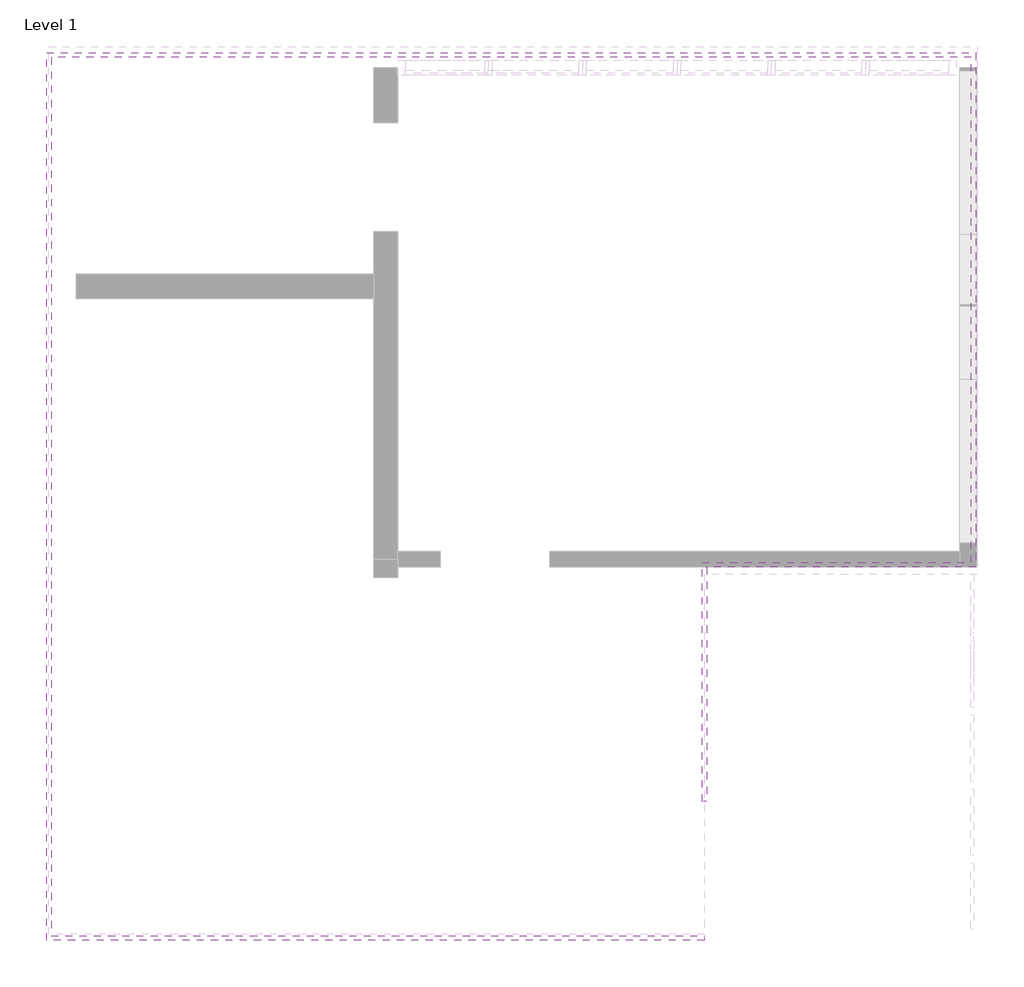
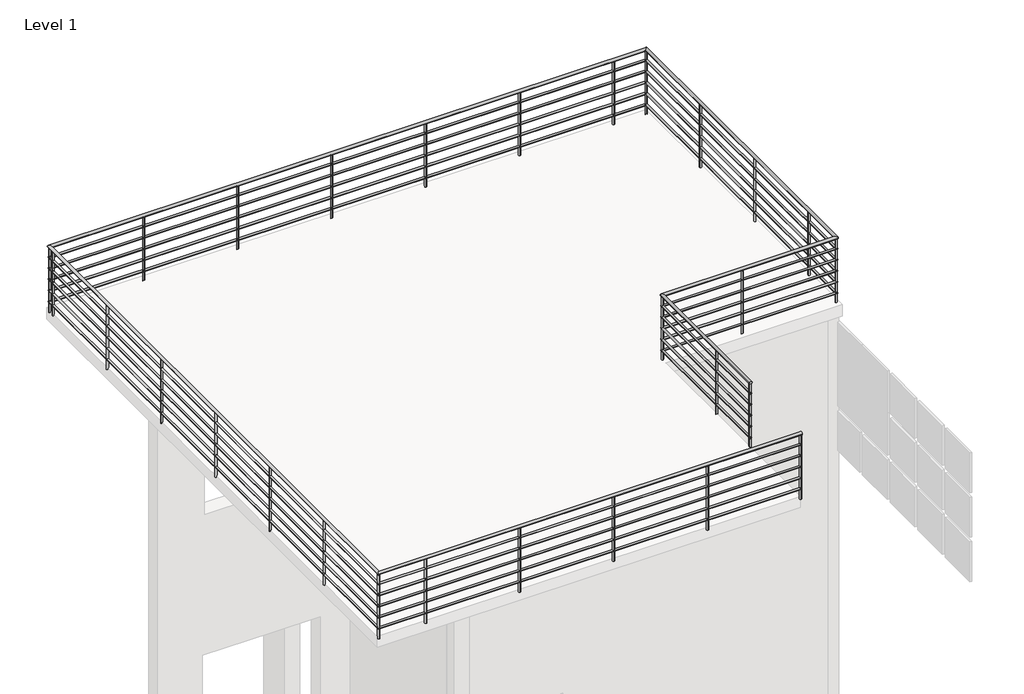
# One storey, part 4 of 5: 1 railing.
"""IFC4 building model written with IfcOpenShell, lengths in millimetres."""

from ifc_helpers import new_model, si_unit, point, frame, frame_2d, origin, place, context, project, spatial, circle_curve, ellipse_curve, trimmed, segment, composite_curve, outline, extrude, element, save
from ifc_brep_helpers import plane_surface, cylinder_surface, advanced_brep

model = new_model("IFC4")

# Units and contexts
model_context = context("Model", 3, world=origin())
ifc_project = project(units=[si_unit("LENGTHUNIT", "METRE", prefix="MILLI")], contexts=[model_context])

# Site, building, storey
site = spatial("IfcSite", under=ifc_project)
building = spatial("IfcBuilding", under=site)
storey = spatial("IfcBuildingStorey", under=building, Name="Level 1", Elevation=0.0)

# Railing
placement = place(None, origin())
element("IfcRailing", 1, ObjectType="Handrail - Pipe", at=placement, inside=storey, context=model_context, shape_type="SolidModel", body=[
    advanced_brep(
    [(-878.0749742, 4023.7061915, 7131.0805183), (-878.0749742, 3985.6061915, 7131.0805183), (1395.2250258, 11414.9863302, 7131.0805183), (1357.1250258, 11376.8863302, 7131.0805183), (1357.1250258, 7147.7863302, 7131.0805183), (1395.2250258, 7109.6863302, 7131.0805183), (-6345.4249742, 4023.7061915, 7131.0805183), (-6383.5249742, 3985.6061915, 7131.0805183), (-6345.4249742, 11376.8863302, 7131.0805183), (-6383.5249742, 11414.9863302, 7131.0805183), (-897.1249742, 7147.7863302, 7131.0805183), (-859.0249742, 7109.6863302, 7131.0805183), (-897.1249742, 5147.5363302, 7131.0805183), (-859.0249742, 5147.5363302, 7131.0805183)],
    [
        (0, 1, circle_curve(frame((-878.0749742, 4004.6561915, 7131.0805183), z_axis=(1.0, 0.0, 0.0), x_axis=(0.0, -1.0, 0.0)), 19.05)),
        (1, 0, circle_curve(frame((-878.0749742, 4004.6561915, 7131.0805183), z_axis=(1.0, 0.0, 0.0), x_axis=(0.0, -1.0, 0.0)), 19.05)),
        (2, 3, ellipse_curve(frame((1376.1750258, 11395.9363302, 7131.0805183), z_axis=(0.7071067811865457, -0.7071067811865495, 0.0), x_axis=(0.7071067811865496, 0.7071067811865455, 0.0)), 26.9407684, 19.05)),
        (3, 4),
        (4, 5, ellipse_curve(frame((1376.1750258, 7128.7363302, 7131.0805183), z_axis=(0.7071067811865493, 0.7071067811865457, 0.0), x_axis=(-0.7071067811865457, 0.7071067811865495, 0.0)), 26.9407684, 19.05)),
        (5, 2),
        (3, 2, ellipse_curve(frame((1376.1750258, 11395.9363302, 7131.0805183), z_axis=(0.7071067811865457, -0.7071067811865495, 0.0), x_axis=(0.7071067811865496, 0.7071067811865455, 0.0)), 26.9407684, 19.05)),
        (5, 4, ellipse_curve(frame((1376.1750258, 7128.7363302, 7131.0805183), z_axis=(0.7071067811865493, 0.7071067811865457, 0.0), x_axis=(-0.7071067811865457, 0.7071067811865495, 0.0)), 26.9407684, 19.05)),
        (0, 6),
        (6, 7, ellipse_curve(frame((-6364.4749742, 4004.6561915, 7131.0805183), z_axis=(0.7071067811865457, -0.7071067811865493, 0.0), x_axis=(0.7071067811865492, 0.7071067811865458, 0.0)), 26.9407684, 19.05)),
        (7, 1),
        (7, 6, ellipse_curve(frame((-6364.4749742, 4004.6561915, 7131.0805183), z_axis=(0.7071067811865457, -0.7071067811865493, 0.0), x_axis=(0.7071067811865492, 0.7071067811865458, 0.0)), 26.9407684, 19.05)),
        (6, 8),
        (8, 9, ellipse_curve(frame((-6364.4749742, 11395.9363302, 7131.0805183), z_axis=(-0.7071067811865493, -0.7071067811865456, 0.0), x_axis=(0.7071067811865455, -0.7071067811865495, 0.0)), 26.9407684, 19.05)),
        (9, 7),
        (9, 8, ellipse_curve(frame((-6364.4749742, 11395.9363302, 7131.0805183), z_axis=(-0.7071067811865493, -0.7071067811865456, 0.0), x_axis=(0.7071067811865455, -0.7071067811865495, 0.0)), 26.9407684, 19.05)),
        (8, 3),
        (2, 9),
        (4, 10),
        (10, 11, ellipse_curve(frame((-878.0749742, 7128.7363302, 7131.0805183), z_axis=(0.7071067811865492, 0.7071067811865457, 0.0), x_axis=(0.707106781186546, -0.7071067811865491, 0.0)), 26.9407684, 19.05)),
        (11, 5),
        (11, 10, ellipse_curve(frame((-878.0749742, 7128.7363302, 7131.0805183), z_axis=(0.7071067811865492, 0.7071067811865457, 0.0), x_axis=(0.707106781186546, -0.7071067811865491, 0.0)), 26.9407684, 19.05)),
        (12, 13, circle_curve(frame((-878.0749742, 5147.5363302, 7131.0805183), z_axis=(0.0, -1.0, 0.0), x_axis=(1.0, 0.0, 0.0)), 19.05)),
        (13, 12, circle_curve(frame((-878.0749742, 5147.5363302, 7131.0805183), z_axis=(0.0, -1.0, 0.0), x_axis=(1.0, 0.0, 0.0)), 19.05)),
        (10, 12),
        (13, 11),
    ],
    [
        plane_surface(frame((-878.0749742, 4004.6561915, 7150.1305183), z_axis=(1.0, 0.0, 0.0), x_axis=(0.0, -1.0, 0.0))),
        cylinder_surface(frame((1376.1750258, 11395.9363302, 7131.0805183), z_axis=(0.0, 1.0, 0.0), x_axis=(1.0, 0.0, 0.0)), 19.05),
        cylinder_surface(frame((-878.0749742, 4004.6561915, 7131.0805183), z_axis=(1.0, 0.0, 0.0), x_axis=(0.0, -1.0, 0.0)), 19.05),
        cylinder_surface(frame((-6364.4749742, 4004.6561915, 7131.0805183), z_axis=(0.0, -1.0, 0.0), x_axis=(-1.0, 0.0, 0.0)), 19.05),
        cylinder_surface(frame((-6364.4749742, 11395.9363302, 7131.0805183), z_axis=(-1.0, 0.0, 0.0), x_axis=(0.0, 1.0, 0.0)), 19.05),
        cylinder_surface(frame((1376.1750258, 7128.7363302, 7131.0805183), z_axis=(1.0, 0.0, 0.0), x_axis=(0.0, -1.0, 0.0)), 19.05),
        plane_surface(frame((-878.0749742, 5147.5363302, 7150.1305183), z_axis=(0.0, -1.0, 0.0), x_axis=(0.0, 0.0, -1.0))),
        cylinder_surface(frame((-878.0749742, 7128.7363302, 7131.0805183), z_axis=(0.0, 1.0, 0.0), x_axis=(1.0, 0.0, 0.0)), 19.05),
    ],
    [
        (0, [[1, 2]]),
        (1, [[3, 4, 5, 6]]),
        (1, [[7, -6, 8, -4]]),
        (2, [[-1, 9, 10, 11]]),
        (2, [[-2, -11, 12, -9]]),
        (3, [[-10, 13, 14, 15]]),
        (3, [[-12, -15, 16, -13]]),
        (4, [[-14, 17, -3, 18]]),
        (4, [[-16, -18, -7, -17]]),
        (5, [[-5, 19, 20, 21]]),
        (5, [[-8, -21, 22, -19]]),
        (6, [[23, 24]]),
        (7, [[-20, 25, -24, 26]]),
        (7, [[-22, -26, -23, -25]]),
    ],
),
    advanced_brep(
    [(1363.4750258, 11383.2363302, 6985.0305183), (1388.8750258, 11408.6363302, 6985.0305183), (1388.8750258, 7116.0363302, 6985.0305183), (1363.4750258, 7141.4363302, 6985.0305183), (-878.0749742, 3991.9561915, 6985.0305183), (-878.0749742, 4017.3561915, 6985.0305183), (-6377.1749742, 3991.9561915, 6985.0305183), (-6351.7749742, 4017.3561915, 6985.0305183), (-6377.1749742, 11408.6363302, 6985.0305183), (-6351.7749742, 11383.2363302, 6985.0305183), (-865.3749742, 7116.0363302, 6985.0305183), (-890.7749742, 7141.4363302, 6985.0305183), (-865.3749742, 5147.5363302, 6985.0305183), (-890.7749742, 5147.5363302, 6985.0305183)],
    [
        (0, 1, ellipse_curve(frame((1376.1750258, 11395.9363302, 6985.0305183), z_axis=(0.7071067811865457, -0.7071067811865495, 0.0), x_axis=(0.7071067811865496, 0.7071067811865455, 0.0)), 17.9605122, 12.7)),
        (1, 2),
        (2, 3, ellipse_curve(frame((1376.1750258, 7128.7363302, 6985.0305183), z_axis=(0.7071067811865493, 0.7071067811865457, 0.0), x_axis=(-0.7071067811865457, 0.7071067811865495, 0.0)), 17.9605122, 12.7)),
        (3, 0),
        (1, 0, ellipse_curve(frame((1376.1750258, 11395.9363302, 6985.0305183), z_axis=(0.7071067811865457, -0.7071067811865495, 0.0), x_axis=(0.7071067811865496, 0.7071067811865455, 0.0)), 17.9605122, 12.7)),
        (3, 2, ellipse_curve(frame((1376.1750258, 7128.7363302, 6985.0305183), z_axis=(0.7071067811865493, 0.7071067811865457, 0.0), x_axis=(-0.7071067811865457, 0.7071067811865495, 0.0)), 17.9605122, 12.7)),
        (4, 5, circle_curve(frame((-878.0749742, 4004.6561915, 6985.0305183), z_axis=(1.0, 0.0, 0.0), x_axis=(0.0, 1.0, 0.0)), 12.7)),
        (5, 4, circle_curve(frame((-878.0749742, 4004.6561915, 6985.0305183), z_axis=(1.0, 0.0, 0.0), x_axis=(0.0, 1.0, 0.0)), 12.7)),
        (4, 6),
        (6, 7, ellipse_curve(frame((-6364.4749742, 4004.6561915, 6985.0305183), z_axis=(0.7071067811865457, -0.7071067811865493, 0.0), x_axis=(0.7071067811865492, 0.7071067811865458, 0.0)), 17.9605122, 12.7)),
        (7, 5),
        (7, 6, ellipse_curve(frame((-6364.4749742, 4004.6561915, 6985.0305183), z_axis=(0.7071067811865457, -0.7071067811865493, 0.0), x_axis=(0.7071067811865492, 0.7071067811865458, 0.0)), 17.9605122, 12.7)),
        (6, 8),
        (8, 9, ellipse_curve(frame((-6364.4749742, 11395.9363302, 6985.0305183), z_axis=(-0.7071067811865493, -0.7071067811865456, 0.0), x_axis=(0.7071067811865455, -0.7071067811865495, 0.0)), 17.9605122, 12.7)),
        (9, 7),
        (9, 8, ellipse_curve(frame((-6364.4749742, 11395.9363302, 6985.0305183), z_axis=(-0.7071067811865493, -0.7071067811865456, 0.0), x_axis=(0.7071067811865455, -0.7071067811865495, 0.0)), 17.9605122, 12.7)),
        (8, 1),
        (0, 9),
        (2, 10),
        (10, 11, ellipse_curve(frame((-878.0749742, 7128.7363302, 6985.0305183), z_axis=(0.7071067811865492, 0.7071067811865457, 0.0), x_axis=(0.707106781186546, -0.7071067811865491, 0.0)), 17.9605122, 12.7)),
        (11, 3),
        (11, 10, ellipse_curve(frame((-878.0749742, 7128.7363302, 6985.0305183), z_axis=(0.7071067811865492, 0.7071067811865457, 0.0), x_axis=(0.707106781186546, -0.7071067811865491, 0.0)), 17.9605122, 12.7)),
        (12, 13, circle_curve(frame((-878.0749742, 5147.5363302, 6985.0305183), z_axis=(0.0, -1.0, 0.0), x_axis=(-1.0, 0.0, 0.0)), 12.7)),
        (13, 12, circle_curve(frame((-878.0749742, 5147.5363302, 6985.0305183), z_axis=(0.0, -1.0, 0.0), x_axis=(-1.0, 0.0, 0.0)), 12.7)),
        (10, 12),
        (13, 11),
    ],
    [
        cylinder_surface(frame((1376.1750258, 11395.9363302, 6985.0305183), z_axis=(0.0, 1.0, 0.0), x_axis=(-1.0, 0.0, 0.0)), 12.7),
        plane_surface(frame((-878.0749742, 4004.6561915, 6997.7305183), z_axis=(1.0, 0.0, 0.0), x_axis=(0.0, -1.0, 0.0))),
        cylinder_surface(frame((-878.0749742, 4004.6561915, 6985.0305183), z_axis=(1.0, 0.0, 0.0), x_axis=(0.0, 1.0, 0.0)), 12.7),
        cylinder_surface(frame((-6364.4749742, 4004.6561915, 6985.0305183), z_axis=(0.0, -1.0, 0.0), x_axis=(1.0, 0.0, 0.0)), 12.7),
        cylinder_surface(frame((-6364.4749742, 11395.9363302, 6985.0305183), z_axis=(-1.0, 0.0, 0.0), x_axis=(0.0, -1.0, 0.0)), 12.7),
        cylinder_surface(frame((1376.1750258, 7128.7363302, 6985.0305183), z_axis=(1.0, 0.0, 0.0), x_axis=(0.0, 1.0, 0.0)), 12.7),
        plane_surface(frame((-878.0749742, 5147.5363302, 6997.7305183), z_axis=(0.0, -1.0, 0.0), x_axis=(0.0, 0.0, -1.0))),
        cylinder_surface(frame((-878.0749742, 7128.7363302, 6985.0305183), z_axis=(0.0, 1.0, 0.0), x_axis=(-1.0, 0.0, 0.0)), 12.7),
    ],
    [
        (0, [[1, 2, 3, 4]]),
        (0, [[5, -4, 6, -2]]),
        (1, [[7, 8]]),
        (2, [[-7, 9, 10, 11]]),
        (2, [[-8, -11, 12, -9]]),
        (3, [[-10, 13, 14, 15]]),
        (3, [[-12, -15, 16, -13]]),
        (4, [[-14, 17, -1, 18]]),
        (4, [[-16, -18, -5, -17]]),
        (5, [[-3, 19, 20, 21]]),
        (5, [[-6, -21, 22, -19]]),
        (6, [[23, 24]]),
        (7, [[-20, 25, -24, 26]]),
        (7, [[-22, -26, -23, -25]]),
    ],
),
    advanced_brep(
    [(1363.4750258, 11383.2363302, 6832.6305183), (1388.8750258, 11408.6363302, 6832.6305183), (1388.8750258, 7116.0363302, 6832.6305183), (1363.4750258, 7141.4363302, 6832.6305183), (-878.0749742, 3991.9561915, 6832.6305183), (-878.0749742, 4017.3561915, 6832.6305183), (-6377.1749742, 3991.9561915, 6832.6305183), (-6351.7749742, 4017.3561915, 6832.6305183), (-6377.1749742, 11408.6363302, 6832.6305183), (-6351.7749742, 11383.2363302, 6832.6305183), (-865.3749742, 7116.0363302, 6832.6305183), (-890.7749742, 7141.4363302, 6832.6305183), (-865.3749742, 5147.5363302, 6832.6305183), (-890.7749742, 5147.5363302, 6832.6305183)],
    [
        (0, 1, ellipse_curve(frame((1376.1750258, 11395.9363302, 6832.6305183), z_axis=(0.7071067811865457, -0.7071067811865495, 0.0), x_axis=(0.7071067811865496, 0.7071067811865455, 0.0)), 17.9605122, 12.7)),
        (1, 2),
        (2, 3, ellipse_curve(frame((1376.1750258, 7128.7363302, 6832.6305183), z_axis=(0.7071067811865493, 0.7071067811865457, 0.0), x_axis=(-0.7071067811865457, 0.7071067811865495, 0.0)), 17.9605122, 12.7)),
        (3, 0),
        (1, 0, ellipse_curve(frame((1376.1750258, 11395.9363302, 6832.6305183), z_axis=(0.7071067811865457, -0.7071067811865495, 0.0), x_axis=(0.7071067811865496, 0.7071067811865455, 0.0)), 17.9605122, 12.7)),
        (3, 2, ellipse_curve(frame((1376.1750258, 7128.7363302, 6832.6305183), z_axis=(0.7071067811865493, 0.7071067811865457, 0.0), x_axis=(-0.7071067811865457, 0.7071067811865495, 0.0)), 17.9605122, 12.7)),
        (4, 5, circle_curve(frame((-878.0749742, 4004.6561915, 6832.6305183), z_axis=(1.0, 0.0, 0.0), x_axis=(0.0, 1.0, 0.0)), 12.7)),
        (5, 4, circle_curve(frame((-878.0749742, 4004.6561915, 6832.6305183), z_axis=(1.0, 0.0, 0.0), x_axis=(0.0, 1.0, 0.0)), 12.7)),
        (4, 6),
        (6, 7, ellipse_curve(frame((-6364.4749742, 4004.6561915, 6832.6305183), z_axis=(0.7071067811865457, -0.7071067811865493, 0.0), x_axis=(0.7071067811865492, 0.7071067811865458, 0.0)), 17.9605122, 12.7)),
        (7, 5),
        (7, 6, ellipse_curve(frame((-6364.4749742, 4004.6561915, 6832.6305183), z_axis=(0.7071067811865457, -0.7071067811865493, 0.0), x_axis=(0.7071067811865492, 0.7071067811865458, 0.0)), 17.9605122, 12.7)),
        (6, 8),
        (8, 9, ellipse_curve(frame((-6364.4749742, 11395.9363302, 6832.6305183), z_axis=(-0.7071067811865493, -0.7071067811865456, 0.0), x_axis=(0.7071067811865455, -0.7071067811865495, 0.0)), 17.9605122, 12.7)),
        (9, 7),
        (9, 8, ellipse_curve(frame((-6364.4749742, 11395.9363302, 6832.6305183), z_axis=(-0.7071067811865493, -0.7071067811865456, 0.0), x_axis=(0.7071067811865455, -0.7071067811865495, 0.0)), 17.9605122, 12.7)),
        (8, 1),
        (0, 9),
        (2, 10),
        (10, 11, ellipse_curve(frame((-878.0749742, 7128.7363302, 6832.6305183), z_axis=(0.7071067811865492, 0.7071067811865457, 0.0), x_axis=(0.707106781186546, -0.7071067811865491, 0.0)), 17.9605122, 12.7)),
        (11, 3),
        (11, 10, ellipse_curve(frame((-878.0749742, 7128.7363302, 6832.6305183), z_axis=(0.7071067811865492, 0.7071067811865457, 0.0), x_axis=(0.707106781186546, -0.7071067811865491, 0.0)), 17.9605122, 12.7)),
        (12, 13, circle_curve(frame((-878.0749742, 5147.5363302, 6832.6305183), z_axis=(0.0, -1.0, 0.0), x_axis=(-1.0, 0.0, 0.0)), 12.7)),
        (13, 12, circle_curve(frame((-878.0749742, 5147.5363302, 6832.6305183), z_axis=(0.0, -1.0, 0.0), x_axis=(-1.0, 0.0, 0.0)), 12.7)),
        (10, 12),
        (13, 11),
    ],
    [
        cylinder_surface(frame((1376.1750258, 11395.9363302, 6832.6305183), z_axis=(0.0, 1.0, 0.0), x_axis=(-1.0, 0.0, 0.0)), 12.7),
        plane_surface(frame((-878.0749742, 4004.6561915, 6845.3305183), z_axis=(1.0, 0.0, 0.0), x_axis=(0.0, -1.0, 0.0))),
        cylinder_surface(frame((-878.0749742, 4004.6561915, 6832.6305183), z_axis=(1.0, 0.0, 0.0), x_axis=(0.0, 1.0, 0.0)), 12.7),
        cylinder_surface(frame((-6364.4749742, 4004.6561915, 6832.6305183), z_axis=(0.0, -1.0, 0.0), x_axis=(1.0, 0.0, 0.0)), 12.7),
        cylinder_surface(frame((-6364.4749742, 11395.9363302, 6832.6305183), z_axis=(-1.0, 0.0, 0.0), x_axis=(0.0, -1.0, 0.0)), 12.7),
        cylinder_surface(frame((1376.1750258, 7128.7363302, 6832.6305183), z_axis=(1.0, 0.0, 0.0), x_axis=(0.0, 1.0, 0.0)), 12.7),
        plane_surface(frame((-878.0749742, 5147.5363302, 6845.3305183), z_axis=(0.0, -1.0, 0.0), x_axis=(0.0, 0.0, -1.0))),
        cylinder_surface(frame((-878.0749742, 7128.7363302, 6832.6305183), z_axis=(0.0, 1.0, 0.0), x_axis=(-1.0, 0.0, 0.0)), 12.7),
    ],
    [
        (0, [[1, 2, 3, 4]]),
        (0, [[5, -4, 6, -2]]),
        (1, [[7, 8]]),
        (2, [[-7, 9, 10, 11]]),
        (2, [[-8, -11, 12, -9]]),
        (3, [[-10, 13, 14, 15]]),
        (3, [[-12, -15, 16, -13]]),
        (4, [[-14, 17, -1, 18]]),
        (4, [[-16, -18, -5, -17]]),
        (5, [[-3, 19, 20, 21]]),
        (5, [[-6, -21, 22, -19]]),
        (6, [[23, 24]]),
        (7, [[-20, 25, -24, 26]]),
        (7, [[-22, -26, -23, -25]]),
    ],
),
    advanced_brep(
    [(1363.4750258, 11383.2363302, 6680.2305183), (1388.8750258, 11408.6363302, 6680.2305183), (1388.8750258, 7116.0363302, 6680.2305183), (1363.4750258, 7141.4363302, 6680.2305183), (-878.0749742, 3991.9561915, 6680.2305183), (-878.0749742, 4017.3561915, 6680.2305183), (-6377.1749742, 3991.9561915, 6680.2305183), (-6351.7749742, 4017.3561915, 6680.2305183), (-6377.1749742, 11408.6363302, 6680.2305183), (-6351.7749742, 11383.2363302, 6680.2305183), (-865.3749742, 7116.0363302, 6680.2305183), (-890.7749742, 7141.4363302, 6680.2305183), (-865.3749742, 5147.5363302, 6680.2305183), (-890.7749742, 5147.5363302, 6680.2305183)],
    [
        (0, 1, ellipse_curve(frame((1376.1750258, 11395.9363302, 6680.2305183), z_axis=(0.7071067811865457, -0.7071067811865495, 0.0), x_axis=(0.7071067811865496, 0.7071067811865455, 0.0)), 17.9605122, 12.7)),
        (1, 2),
        (2, 3, ellipse_curve(frame((1376.1750258, 7128.7363302, 6680.2305183), z_axis=(0.7071067811865493, 0.7071067811865457, 0.0), x_axis=(-0.7071067811865457, 0.7071067811865495, 0.0)), 17.9605122, 12.7)),
        (3, 0),
        (1, 0, ellipse_curve(frame((1376.1750258, 11395.9363302, 6680.2305183), z_axis=(0.7071067811865457, -0.7071067811865495, 0.0), x_axis=(0.7071067811865496, 0.7071067811865455, 0.0)), 17.9605122, 12.7)),
        (3, 2, ellipse_curve(frame((1376.1750258, 7128.7363302, 6680.2305183), z_axis=(0.7071067811865493, 0.7071067811865457, 0.0), x_axis=(-0.7071067811865457, 0.7071067811865495, 0.0)), 17.9605122, 12.7)),
        (4, 5, circle_curve(frame((-878.0749742, 4004.6561915, 6680.2305183), z_axis=(1.0, 0.0, 0.0), x_axis=(0.0, 1.0, 0.0)), 12.7)),
        (5, 4, circle_curve(frame((-878.0749742, 4004.6561915, 6680.2305183), z_axis=(1.0, 0.0, 0.0), x_axis=(0.0, 1.0, 0.0)), 12.7)),
        (4, 6),
        (6, 7, ellipse_curve(frame((-6364.4749742, 4004.6561915, 6680.2305183), z_axis=(0.7071067811865457, -0.7071067811865493, 0.0), x_axis=(0.7071067811865492, 0.7071067811865458, 0.0)), 17.9605122, 12.7)),
        (7, 5),
        (7, 6, ellipse_curve(frame((-6364.4749742, 4004.6561915, 6680.2305183), z_axis=(0.7071067811865457, -0.7071067811865493, 0.0), x_axis=(0.7071067811865492, 0.7071067811865458, 0.0)), 17.9605122, 12.7)),
        (6, 8),
        (8, 9, ellipse_curve(frame((-6364.4749742, 11395.9363302, 6680.2305183), z_axis=(-0.7071067811865493, -0.7071067811865456, 0.0), x_axis=(0.7071067811865455, -0.7071067811865495, 0.0)), 17.9605122, 12.7)),
        (9, 7),
        (9, 8, ellipse_curve(frame((-6364.4749742, 11395.9363302, 6680.2305183), z_axis=(-0.7071067811865493, -0.7071067811865456, 0.0), x_axis=(0.7071067811865455, -0.7071067811865495, 0.0)), 17.9605122, 12.7)),
        (8, 1),
        (0, 9),
        (2, 10),
        (10, 11, ellipse_curve(frame((-878.0749742, 7128.7363302, 6680.2305183), z_axis=(0.7071067811865492, 0.7071067811865457, 0.0), x_axis=(0.707106781186546, -0.7071067811865491, 0.0)), 17.9605122, 12.7)),
        (11, 3),
        (11, 10, ellipse_curve(frame((-878.0749742, 7128.7363302, 6680.2305183), z_axis=(0.7071067811865492, 0.7071067811865457, 0.0), x_axis=(0.707106781186546, -0.7071067811865491, 0.0)), 17.9605122, 12.7)),
        (12, 13, circle_curve(frame((-878.0749742, 5147.5363302, 6680.2305183), z_axis=(0.0, -1.0, 0.0), x_axis=(-1.0, 0.0, 0.0)), 12.7)),
        (13, 12, circle_curve(frame((-878.0749742, 5147.5363302, 6680.2305183), z_axis=(0.0, -1.0, 0.0), x_axis=(-1.0, 0.0, 0.0)), 12.7)),
        (10, 12),
        (13, 11),
    ],
    [
        cylinder_surface(frame((1376.1750258, 11395.9363302, 6680.2305183), z_axis=(0.0, 1.0, 0.0), x_axis=(-1.0, 0.0, 0.0)), 12.7),
        plane_surface(frame((-878.0749742, 4004.6561915, 6692.9305183), z_axis=(1.0, 0.0, 0.0), x_axis=(0.0, -1.0, 0.0))),
        cylinder_surface(frame((-878.0749742, 4004.6561915, 6680.2305183), z_axis=(1.0, 0.0, 0.0), x_axis=(0.0, 1.0, 0.0)), 12.7),
        cylinder_surface(frame((-6364.4749742, 4004.6561915, 6680.2305183), z_axis=(0.0, -1.0, 0.0), x_axis=(1.0, 0.0, 0.0)), 12.7),
        cylinder_surface(frame((-6364.4749742, 11395.9363302, 6680.2305183), z_axis=(-1.0, 0.0, 0.0), x_axis=(0.0, -1.0, 0.0)), 12.7),
        cylinder_surface(frame((1376.1750258, 7128.7363302, 6680.2305183), z_axis=(1.0, 0.0, 0.0), x_axis=(0.0, 1.0, 0.0)), 12.7),
        plane_surface(frame((-878.0749742, 5147.5363302, 6692.9305183), z_axis=(0.0, -1.0, 0.0), x_axis=(0.0, 0.0, -1.0))),
        cylinder_surface(frame((-878.0749742, 7128.7363302, 6680.2305183), z_axis=(0.0, 1.0, 0.0), x_axis=(-1.0, 0.0, 0.0)), 12.7),
    ],
    [
        (0, [[1, 2, 3, 4]]),
        (0, [[5, -4, 6, -2]]),
        (1, [[7, 8]]),
        (2, [[-7, 9, 10, 11]]),
        (2, [[-8, -11, 12, -9]]),
        (3, [[-10, 13, 14, 15]]),
        (3, [[-12, -15, 16, -13]]),
        (4, [[-14, 17, -1, 18]]),
        (4, [[-16, -18, -5, -17]]),
        (5, [[-3, 19, 20, 21]]),
        (5, [[-6, -21, 22, -19]]),
        (6, [[23, 24]]),
        (7, [[-20, 25, -24, 26]]),
        (7, [[-22, -26, -23, -25]]),
    ],
),
    advanced_brep(
    [(1363.4750258, 11383.2363302, 6527.8305183), (1388.8750258, 11408.6363302, 6527.8305183), (1388.8750258, 7116.0363302, 6527.8305183), (1363.4750258, 7141.4363302, 6527.8305183), (-878.0749742, 3991.9561915, 6527.8305183), (-878.0749742, 4017.3561915, 6527.8305183), (-6377.1749742, 3991.9561915, 6527.8305183), (-6351.7749742, 4017.3561915, 6527.8305183), (-6377.1749742, 11408.6363302, 6527.8305183), (-6351.7749742, 11383.2363302, 6527.8305183), (-865.3749742, 7116.0363302, 6527.8305183), (-890.7749742, 7141.4363302, 6527.8305183), (-865.3749742, 5147.5363302, 6527.8305183), (-890.7749742, 5147.5363302, 6527.8305183)],
    [
        (0, 1, ellipse_curve(frame((1376.1750258, 11395.9363302, 6527.8305183), z_axis=(0.7071067811865457, -0.7071067811865495, 0.0), x_axis=(0.7071067811865496, 0.7071067811865455, 0.0)), 17.9605122, 12.7)),
        (1, 2),
        (2, 3, ellipse_curve(frame((1376.1750258, 7128.7363302, 6527.8305183), z_axis=(0.7071067811865493, 0.7071067811865457, 0.0), x_axis=(-0.7071067811865457, 0.7071067811865495, 0.0)), 17.9605122, 12.7)),
        (3, 0),
        (1, 0, ellipse_curve(frame((1376.1750258, 11395.9363302, 6527.8305183), z_axis=(0.7071067811865457, -0.7071067811865495, 0.0), x_axis=(0.7071067811865496, 0.7071067811865455, 0.0)), 17.9605122, 12.7)),
        (3, 2, ellipse_curve(frame((1376.1750258, 7128.7363302, 6527.8305183), z_axis=(0.7071067811865493, 0.7071067811865457, 0.0), x_axis=(-0.7071067811865457, 0.7071067811865495, 0.0)), 17.9605122, 12.7)),
        (4, 5, circle_curve(frame((-878.0749742, 4004.6561915, 6527.8305183), z_axis=(1.0, 0.0, 0.0), x_axis=(0.0, 1.0, 0.0)), 12.7)),
        (5, 4, circle_curve(frame((-878.0749742, 4004.6561915, 6527.8305183), z_axis=(1.0, 0.0, 0.0), x_axis=(0.0, 1.0, 0.0)), 12.7)),
        (4, 6),
        (6, 7, ellipse_curve(frame((-6364.4749742, 4004.6561915, 6527.8305183), z_axis=(0.7071067811865457, -0.7071067811865493, 0.0), x_axis=(0.7071067811865492, 0.7071067811865458, 0.0)), 17.9605122, 12.7)),
        (7, 5),
        (7, 6, ellipse_curve(frame((-6364.4749742, 4004.6561915, 6527.8305183), z_axis=(0.7071067811865457, -0.7071067811865493, 0.0), x_axis=(0.7071067811865492, 0.7071067811865458, 0.0)), 17.9605122, 12.7)),
        (6, 8),
        (8, 9, ellipse_curve(frame((-6364.4749742, 11395.9363302, 6527.8305183), z_axis=(-0.7071067811865493, -0.7071067811865456, 0.0), x_axis=(0.7071067811865455, -0.7071067811865495, 0.0)), 17.9605122, 12.7)),
        (9, 7),
        (9, 8, ellipse_curve(frame((-6364.4749742, 11395.9363302, 6527.8305183), z_axis=(-0.7071067811865493, -0.7071067811865456, 0.0), x_axis=(0.7071067811865455, -0.7071067811865495, 0.0)), 17.9605122, 12.7)),
        (8, 1),
        (0, 9),
        (2, 10),
        (10, 11, ellipse_curve(frame((-878.0749742, 7128.7363302, 6527.8305183), z_axis=(0.7071067811865492, 0.7071067811865457, 0.0), x_axis=(0.707106781186546, -0.7071067811865491, 0.0)), 17.9605122, 12.7)),
        (11, 3),
        (11, 10, ellipse_curve(frame((-878.0749742, 7128.7363302, 6527.8305183), z_axis=(0.7071067811865492, 0.7071067811865457, 0.0), x_axis=(0.707106781186546, -0.7071067811865491, 0.0)), 17.9605122, 12.7)),
        (12, 13, circle_curve(frame((-878.0749742, 5147.5363302, 6527.8305183), z_axis=(0.0, -1.0, 0.0), x_axis=(-1.0, 0.0, 0.0)), 12.7)),
        (13, 12, circle_curve(frame((-878.0749742, 5147.5363302, 6527.8305183), z_axis=(0.0, -1.0, 0.0), x_axis=(-1.0, 0.0, 0.0)), 12.7)),
        (10, 12),
        (13, 11),
    ],
    [
        cylinder_surface(frame((1376.1750258, 11395.9363302, 6527.8305183), z_axis=(0.0, 1.0, 0.0), x_axis=(-1.0, 0.0, 0.0)), 12.7),
        plane_surface(frame((-878.0749742, 4004.6561915, 6540.5305183), z_axis=(1.0, 0.0, 0.0), x_axis=(0.0, -1.0, 0.0))),
        cylinder_surface(frame((-878.0749742, 4004.6561915, 6527.8305183), z_axis=(1.0, 0.0, 0.0), x_axis=(0.0, 1.0, 0.0)), 12.7),
        cylinder_surface(frame((-6364.4749742, 4004.6561915, 6527.8305183), z_axis=(0.0, -1.0, 0.0), x_axis=(1.0, 0.0, 0.0)), 12.7),
        cylinder_surface(frame((-6364.4749742, 11395.9363302, 6527.8305183), z_axis=(-1.0, 0.0, 0.0), x_axis=(0.0, -1.0, 0.0)), 12.7),
        cylinder_surface(frame((1376.1750258, 7128.7363302, 6527.8305183), z_axis=(1.0, 0.0, 0.0), x_axis=(0.0, 1.0, 0.0)), 12.7),
        plane_surface(frame((-878.0749742, 5147.5363302, 6540.5305183), z_axis=(0.0, -1.0, 0.0), x_axis=(0.0, 0.0, -1.0))),
        cylinder_surface(frame((-878.0749742, 7128.7363302, 6527.8305183), z_axis=(0.0, 1.0, 0.0), x_axis=(-1.0, 0.0, 0.0)), 12.7),
    ],
    [
        (0, [[1, 2, 3, 4]]),
        (0, [[5, -4, 6, -2]]),
        (1, [[7, 8]]),
        (2, [[-7, 9, 10, 11]]),
        (2, [[-8, -11, 12, -9]]),
        (3, [[-10, 13, 14, 15]]),
        (3, [[-12, -15, 16, -13]]),
        (4, [[-14, 17, -1, 18]]),
        (4, [[-16, -18, -5, -17]]),
        (5, [[-3, 19, 20, 21]]),
        (5, [[-6, -21, 22, -19]]),
        (6, [[23, 24]]),
        (7, [[-20, 25, -24, 26]]),
        (7, [[-22, -26, -23, -25]]),
    ],
),
    advanced_brep(
    [(1363.4750258, 11383.2363302, 6375.4305183), (1388.8750258, 11408.6363302, 6375.4305183), (1388.8750258, 7116.0363302, 6375.4305183), (1363.4750258, 7141.4363302, 6375.4305183), (-878.0749742, 3991.9561915, 6375.4305183), (-878.0749742, 4017.3561915, 6375.4305183), (-6377.1749742, 3991.9561915, 6375.4305183), (-6351.7749742, 4017.3561915, 6375.4305183), (-6377.1749742, 11408.6363302, 6375.4305183), (-6351.7749742, 11383.2363302, 6375.4305183), (-865.3749742, 7116.0363302, 6375.4305183), (-890.7749742, 7141.4363302, 6375.4305183), (-865.3749742, 5147.5363302, 6375.4305183), (-890.7749742, 5147.5363302, 6375.4305183)],
    [
        (0, 1, ellipse_curve(frame((1376.1750258, 11395.9363302, 6375.4305183), z_axis=(0.7071067811865457, -0.7071067811865495, 0.0), x_axis=(0.7071067811865496, 0.7071067811865455, 0.0)), 17.9605122, 12.7)),
        (1, 2),
        (2, 3, ellipse_curve(frame((1376.1750258, 7128.7363302, 6375.4305183), z_axis=(0.7071067811865493, 0.7071067811865457, 0.0), x_axis=(-0.7071067811865457, 0.7071067811865495, 0.0)), 17.9605122, 12.7)),
        (3, 0),
        (1, 0, ellipse_curve(frame((1376.1750258, 11395.9363302, 6375.4305183), z_axis=(0.7071067811865457, -0.7071067811865495, 0.0), x_axis=(0.7071067811865496, 0.7071067811865455, 0.0)), 17.9605122, 12.7)),
        (3, 2, ellipse_curve(frame((1376.1750258, 7128.7363302, 6375.4305183), z_axis=(0.7071067811865493, 0.7071067811865457, 0.0), x_axis=(-0.7071067811865457, 0.7071067811865495, 0.0)), 17.9605122, 12.7)),
        (4, 5, circle_curve(frame((-878.0749742, 4004.6561915, 6375.4305183), z_axis=(1.0, 0.0, 0.0), x_axis=(0.0, 1.0, 0.0)), 12.7)),
        (5, 4, circle_curve(frame((-878.0749742, 4004.6561915, 6375.4305183), z_axis=(1.0, 0.0, 0.0), x_axis=(0.0, 1.0, 0.0)), 12.7)),
        (4, 6),
        (6, 7, ellipse_curve(frame((-6364.4749742, 4004.6561915, 6375.4305183), z_axis=(0.7071067811865457, -0.7071067811865493, 0.0), x_axis=(0.7071067811865492, 0.7071067811865458, 0.0)), 17.9605122, 12.7)),
        (7, 5),
        (7, 6, ellipse_curve(frame((-6364.4749742, 4004.6561915, 6375.4305183), z_axis=(0.7071067811865457, -0.7071067811865493, 0.0), x_axis=(0.7071067811865492, 0.7071067811865458, 0.0)), 17.9605122, 12.7)),
        (6, 8),
        (8, 9, ellipse_curve(frame((-6364.4749742, 11395.9363302, 6375.4305183), z_axis=(-0.7071067811865493, -0.7071067811865456, 0.0), x_axis=(0.7071067811865455, -0.7071067811865495, 0.0)), 17.9605122, 12.7)),
        (9, 7),
        (9, 8, ellipse_curve(frame((-6364.4749742, 11395.9363302, 6375.4305183), z_axis=(-0.7071067811865493, -0.7071067811865456, 0.0), x_axis=(0.7071067811865455, -0.7071067811865495, 0.0)), 17.9605122, 12.7)),
        (8, 1),
        (0, 9),
        (2, 10),
        (10, 11, ellipse_curve(frame((-878.0749742, 7128.7363302, 6375.4305183), z_axis=(0.7071067811865492, 0.7071067811865457, 0.0), x_axis=(0.707106781186546, -0.7071067811865491, 0.0)), 17.9605122, 12.7)),
        (11, 3),
        (11, 10, ellipse_curve(frame((-878.0749742, 7128.7363302, 6375.4305183), z_axis=(0.7071067811865492, 0.7071067811865457, 0.0), x_axis=(0.707106781186546, -0.7071067811865491, 0.0)), 17.9605122, 12.7)),
        (12, 13, circle_curve(frame((-878.0749742, 5147.5363302, 6375.4305183), z_axis=(0.0, -1.0, 0.0), x_axis=(-1.0, 0.0, 0.0)), 12.7)),
        (13, 12, circle_curve(frame((-878.0749742, 5147.5363302, 6375.4305183), z_axis=(0.0, -1.0, 0.0), x_axis=(-1.0, 0.0, 0.0)), 12.7)),
        (10, 12),
        (13, 11),
    ],
    [
        cylinder_surface(frame((1376.1750258, 11395.9363302, 6375.4305183), z_axis=(0.0, 1.0, 0.0), x_axis=(-1.0, 0.0, 0.0)), 12.7),
        plane_surface(frame((-878.0749742, 4004.6561915, 6388.1305183), z_axis=(1.0, 0.0, 0.0), x_axis=(0.0, -1.0, 0.0))),
        cylinder_surface(frame((-878.0749742, 4004.6561915, 6375.4305183), z_axis=(1.0, 0.0, 0.0), x_axis=(0.0, 1.0, 0.0)), 12.7),
        cylinder_surface(frame((-6364.4749742, 4004.6561915, 6375.4305183), z_axis=(0.0, -1.0, 0.0), x_axis=(1.0, 0.0, 0.0)), 12.7),
        cylinder_surface(frame((-6364.4749742, 11395.9363302, 6375.4305183), z_axis=(-1.0, 0.0, 0.0), x_axis=(0.0, -1.0, 0.0)), 12.7),
        cylinder_surface(frame((1376.1750258, 7128.7363302, 6375.4305183), z_axis=(1.0, 0.0, 0.0), x_axis=(0.0, 1.0, 0.0)), 12.7),
        plane_surface(frame((-878.0749742, 5147.5363302, 6388.1305183), z_axis=(0.0, -1.0, 0.0), x_axis=(0.0, 0.0, -1.0))),
        cylinder_surface(frame((-878.0749742, 7128.7363302, 6375.4305183), z_axis=(0.0, 1.0, 0.0), x_axis=(-1.0, 0.0, 0.0)), 12.7),
    ],
    [
        (0, [[1, 2, 3, 4]]),
        (0, [[5, -4, 6, -2]]),
        (1, [[7, 8]]),
        (2, [[-7, 9, 10, 11]]),
        (2, [[-8, -11, 12, -9]]),
        (3, [[-10, 13, 14, 15]]),
        (3, [[-12, -15, 16, -13]]),
        (4, [[-14, 17, -1, 18]]),
        (4, [[-16, -18, -5, -17]]),
        (5, [[-3, 19, 20, 21]]),
        (5, [[-6, -21, 22, -19]]),
        (6, [[23, 24]]),
        (7, [[-20, 25, -24, 26]]),
        (7, [[-22, -26, -23, -25]]),
    ],
),
    extrude(outline(composite_curve([segment(trimmed(circle_curve(frame_2d((-878.0749742, 5909.5363302)), 12.7), [point((-865.3749742, 5909.5363302))], [point((-890.7749742, 5909.5363302))], False, "CARTESIAN"), True, "CONTINUOUS"), segment(trimmed(circle_curve(frame_2d((-878.0749742, 5909.5363302)), 12.7), [point((-890.7749742, 5909.5363302))], [point((-865.3749742, 5909.5363302))], False, "CARTESIAN"), True, "CONTINUOUS")], self_intersect=False)), frame((0.0, 0.0, 6235.7305183), z_axis=(0.0, 0.0, 1.0), x_axis=(1.0, 0.0, 0.0)), (0.0, 0.0, 1.0), 876.3),
    extrude(outline(composite_curve([segment(trimmed(circle_curve(frame_2d((156.9750258, 7128.7363302)), 12.7), [point((156.9750258, 7116.0363302))], [point((156.9750258, 7141.4363302))], False, "CARTESIAN"), True, "CONTINUOUS"), segment(trimmed(circle_curve(frame_2d((156.9750258, 7128.7363302)), 12.7), [point((156.9750258, 7141.4363302))], [point((156.9750258, 7116.0363302))], False, "CARTESIAN"), True, "CONTINUOUS")], self_intersect=False)), frame((0.0, 0.0, 6235.7305183), z_axis=(0.0, 0.0, 1.0), x_axis=(1.0, 0.0, 0.0)), (0.0, 0.0, 1.0), 876.3),
    extrude(outline(composite_curve([segment(trimmed(circle_curve(frame_2d((1376.1750258, 7738.3363302)), 12.7), [point((1388.8750258, 7738.3363302))], [point((1363.4750258, 7738.3363302))], False, "CARTESIAN"), True, "CONTINUOUS"), segment(trimmed(circle_curve(frame_2d((1376.1750258, 7738.3363302)), 12.7), [point((1363.4750258, 7738.3363302))], [point((1388.8750258, 7738.3363302))], False, "CARTESIAN"), True, "CONTINUOUS")], self_intersect=False)), frame((0.0, 0.0, 6235.7305183), z_axis=(0.0, 0.0, 1.0), x_axis=(1.0, 0.0, 0.0)), (0.0, 0.0, 1.0), 876.3),
    extrude(outline(composite_curve([segment(trimmed(circle_curve(frame_2d((1376.1750258, 8957.5363302)), 12.7), [point((1388.8750258, 8957.5363302))], [point((1363.4750258, 8957.5363302))], False, "CARTESIAN"), True, "CONTINUOUS"), segment(trimmed(circle_curve(frame_2d((1376.1750258, 8957.5363302)), 12.7), [point((1363.4750258, 8957.5363302))], [point((1388.8750258, 8957.5363302))], False, "CARTESIAN"), True, "CONTINUOUS")], self_intersect=False)), frame((0.0, 0.0, 6235.7305183), z_axis=(0.0, 0.0, 1.0), x_axis=(1.0, 0.0, 0.0)), (0.0, 0.0, 1.0), 876.3),
    extrude(outline(composite_curve([segment(trimmed(circle_curve(frame_2d((1376.1750258, 10176.7363302)), 12.7), [point((1388.8750258, 10176.7363302))], [point((1363.4750258, 10176.7363302))], False, "CARTESIAN"), True, "CONTINUOUS"), segment(trimmed(circle_curve(frame_2d((1376.1750258, 10176.7363302)), 12.7), [point((1363.4750258, 10176.7363302))], [point((1388.8750258, 10176.7363302))], False, "CARTESIAN"), True, "CONTINUOUS")], self_intersect=False)), frame((0.0, 0.0, 6235.7305183), z_axis=(0.0, 0.0, 1.0), x_axis=(1.0, 0.0, 0.0)), (0.0, 0.0, 1.0), 876.3),
    extrude(outline(composite_curve([segment(trimmed(circle_curve(frame_2d((950.7250258, 11395.9363302)), 12.7), [point((950.7250258, 11408.6363302))], [point((950.7250258, 11383.2363302))], False, "CARTESIAN"), True, "CONTINUOUS"), segment(trimmed(circle_curve(frame_2d((950.7250258, 11395.9363302)), 12.7), [point((950.7250258, 11383.2363302))], [point((950.7250258, 11408.6363302))], False, "CARTESIAN"), True, "CONTINUOUS")], self_intersect=False)), frame((0.0, 0.0, 6235.7305183), z_axis=(0.0, 0.0, 1.0), x_axis=(1.0, 0.0, 0.0)), (0.0, 0.0, 1.0), 876.3),
    extrude(outline(composite_curve([segment(trimmed(circle_curve(frame_2d((-268.4749742, 11395.9363302)), 12.7), [point((-268.4749742, 11408.6363302))], [point((-268.4749742, 11383.2363302))], False, "CARTESIAN"), True, "CONTINUOUS"), segment(trimmed(circle_curve(frame_2d((-268.4749742, 11395.9363302)), 12.7), [point((-268.4749742, 11383.2363302))], [point((-268.4749742, 11408.6363302))], False, "CARTESIAN"), True, "CONTINUOUS")], self_intersect=False)), frame((0.0, 0.0, 6235.7305183), z_axis=(0.0, 0.0, 1.0), x_axis=(1.0, 0.0, 0.0)), (0.0, 0.0, 1.0), 876.3),
    extrude(outline(composite_curve([segment(trimmed(circle_curve(frame_2d((-1487.6749742, 11395.9363302)), 12.7), [point((-1487.6749742, 11408.6363302))], [point((-1487.6749742, 11383.2363302))], False, "CARTESIAN"), True, "CONTINUOUS"), segment(trimmed(circle_curve(frame_2d((-1487.6749742, 11395.9363302)), 12.7), [point((-1487.6749742, 11383.2363302))], [point((-1487.6749742, 11408.6363302))], False, "CARTESIAN"), True, "CONTINUOUS")], self_intersect=False)), frame((0.0, 0.0, 6235.7305183), z_axis=(0.0, 0.0, 1.0), x_axis=(1.0, 0.0, 0.0)), (0.0, 0.0, 1.0), 876.3),
    extrude(outline(composite_curve([segment(trimmed(circle_curve(frame_2d((-2706.8749742, 11395.9363302)), 12.7), [point((-2706.8749742, 11408.6363302))], [point((-2706.8749742, 11383.2363302))], False, "CARTESIAN"), True, "CONTINUOUS"), segment(trimmed(circle_curve(frame_2d((-2706.8749742, 11395.9363302)), 12.7), [point((-2706.8749742, 11383.2363302))], [point((-2706.8749742, 11408.6363302))], False, "CARTESIAN"), True, "CONTINUOUS")], self_intersect=False)), frame((0.0, 0.0, 6235.7305183), z_axis=(0.0, 0.0, 1.0), x_axis=(1.0, 0.0, 0.0)), (0.0, 0.0, 1.0), 876.3),
    extrude(outline(composite_curve([segment(trimmed(circle_curve(frame_2d((-3926.0749742, 11395.9363302)), 12.7), [point((-3926.0749742, 11408.6363302))], [point((-3926.0749742, 11383.2363302))], False, "CARTESIAN"), True, "CONTINUOUS"), segment(trimmed(circle_curve(frame_2d((-3926.0749742, 11395.9363302)), 12.7), [point((-3926.0749742, 11383.2363302))], [point((-3926.0749742, 11408.6363302))], False, "CARTESIAN"), True, "CONTINUOUS")], self_intersect=False)), frame((0.0, 0.0, 6235.7305183), z_axis=(0.0, 0.0, 1.0), x_axis=(1.0, 0.0, 0.0)), (0.0, 0.0, 1.0), 876.3),
    extrude(outline(composite_curve([segment(trimmed(circle_curve(frame_2d((-5145.2749742, 11395.9363302)), 12.7), [point((-5145.2749742, 11408.6363302))], [point((-5145.2749742, 11383.2363302))], False, "CARTESIAN"), True, "CONTINUOUS"), segment(trimmed(circle_curve(frame_2d((-5145.2749742, 11395.9363302)), 12.7), [point((-5145.2749742, 11383.2363302))], [point((-5145.2749742, 11408.6363302))], False, "CARTESIAN"), True, "CONTINUOUS")], self_intersect=False)), frame((0.0, 0.0, 6235.7305183), z_axis=(0.0, 0.0, 1.0), x_axis=(1.0, 0.0, 0.0)), (0.0, 0.0, 1.0), 876.3),
    extrude(outline(composite_curve([segment(trimmed(circle_curve(frame_2d((-6364.4749742, 11319.8561915)), 12.7), [point((-6377.1749742, 11319.8561915))], [point((-6351.7749742, 11319.8561915))], False, "CARTESIAN"), True, "CONTINUOUS"), segment(trimmed(circle_curve(frame_2d((-6364.4749742, 11319.8561915)), 12.7), [point((-6351.7749742, 11319.8561915))], [point((-6377.1749742, 11319.8561915))], False, "CARTESIAN"), True, "CONTINUOUS")], self_intersect=False)), frame((0.0, 0.0, 6235.7305183), z_axis=(0.0, 0.0, 1.0), x_axis=(1.0, 0.0, 0.0)), (0.0, 0.0, 1.0), 876.3),
    extrude(outline(composite_curve([segment(trimmed(circle_curve(frame_2d((-6364.4749742, 10100.6561915)), 12.7), [point((-6377.1749742, 10100.6561915))], [point((-6351.7749742, 10100.6561915))], False, "CARTESIAN"), True, "CONTINUOUS"), segment(trimmed(circle_curve(frame_2d((-6364.4749742, 10100.6561915)), 12.7), [point((-6351.7749742, 10100.6561915))], [point((-6377.1749742, 10100.6561915))], False, "CARTESIAN"), True, "CONTINUOUS")], self_intersect=False)), frame((0.0, 0.0, 6235.7305183), z_axis=(0.0, 0.0, 1.0), x_axis=(1.0, 0.0, 0.0)), (0.0, 0.0, 1.0), 876.3),
    extrude(outline(composite_curve([segment(trimmed(circle_curve(frame_2d((-6364.4749742, 8881.4561915)), 12.7), [point((-6377.1749742, 8881.4561915))], [point((-6351.7749742, 8881.4561915))], False, "CARTESIAN"), True, "CONTINUOUS"), segment(trimmed(circle_curve(frame_2d((-6364.4749742, 8881.4561915)), 12.7), [point((-6351.7749742, 8881.4561915))], [point((-6377.1749742, 8881.4561915))], False, "CARTESIAN"), True, "CONTINUOUS")], self_intersect=False)), frame((0.0, 0.0, 6235.7305183), z_axis=(0.0, 0.0, 1.0), x_axis=(1.0, 0.0, 0.0)), (0.0, 0.0, 1.0), 876.3),
    extrude(outline(composite_curve([segment(trimmed(circle_curve(frame_2d((-6364.4749742, 7662.2561915)), 12.7), [point((-6377.1749742, 7662.2561915))], [point((-6351.7749742, 7662.2561915))], False, "CARTESIAN"), True, "CONTINUOUS"), segment(trimmed(circle_curve(frame_2d((-6364.4749742, 7662.2561915)), 12.7), [point((-6351.7749742, 7662.2561915))], [point((-6377.1749742, 7662.2561915))], False, "CARTESIAN"), True, "CONTINUOUS")], self_intersect=False)), frame((0.0, 0.0, 6235.7305183), z_axis=(0.0, 0.0, 1.0), x_axis=(1.0, 0.0, 0.0)), (0.0, 0.0, 1.0), 876.3),
    extrude(outline(composite_curve([segment(trimmed(circle_curve(frame_2d((-6364.4749742, 6443.0561915)), 12.7), [point((-6377.1749742, 6443.0561915))], [point((-6351.7749742, 6443.0561915))], False, "CARTESIAN"), True, "CONTINUOUS"), segment(trimmed(circle_curve(frame_2d((-6364.4749742, 6443.0561915)), 12.7), [point((-6351.7749742, 6443.0561915))], [point((-6377.1749742, 6443.0561915))], False, "CARTESIAN"), True, "CONTINUOUS")], self_intersect=False)), frame((0.0, 0.0, 6235.7305183), z_axis=(0.0, 0.0, 1.0), x_axis=(1.0, 0.0, 0.0)), (0.0, 0.0, 1.0), 876.3),
    extrude(outline(composite_curve([segment(trimmed(circle_curve(frame_2d((-6364.4749742, 5223.8561915)), 12.7), [point((-6377.1749742, 5223.8561915))], [point((-6351.7749742, 5223.8561915))], False, "CARTESIAN"), True, "CONTINUOUS"), segment(trimmed(circle_curve(frame_2d((-6364.4749742, 5223.8561915)), 12.7), [point((-6351.7749742, 5223.8561915))], [point((-6377.1749742, 5223.8561915))], False, "CARTESIAN"), True, "CONTINUOUS")], self_intersect=False)), frame((0.0, 0.0, 6235.7305183), z_axis=(0.0, 0.0, 1.0), x_axis=(1.0, 0.0, 0.0)), (0.0, 0.0, 1.0), 876.3),
    extrude(outline(composite_curve([segment(trimmed(circle_curve(frame_2d((-5754.8749742, 4004.6561915)), 12.7), [point((-5754.8749742, 3991.9561915))], [point((-5754.8749742, 4017.3561915))], False, "CARTESIAN"), True, "CONTINUOUS"), segment(trimmed(circle_curve(frame_2d((-5754.8749742, 4004.6561915)), 12.7), [point((-5754.8749742, 4017.3561915))], [point((-5754.8749742, 3991.9561915))], False, "CARTESIAN"), True, "CONTINUOUS")], self_intersect=False)), frame((0.0, 0.0, 6235.7305183), z_axis=(0.0, 0.0, 1.0), x_axis=(1.0, 0.0, 0.0)), (0.0, 0.0, 1.0), 876.3),
    extrude(outline(composite_curve([segment(trimmed(circle_curve(frame_2d((-4535.6749742, 4004.6561915)), 12.7), [point((-4535.6749742, 3991.9561915))], [point((-4535.6749742, 4017.3561915))], False, "CARTESIAN"), True, "CONTINUOUS"), segment(trimmed(circle_curve(frame_2d((-4535.6749742, 4004.6561915)), 12.7), [point((-4535.6749742, 4017.3561915))], [point((-4535.6749742, 3991.9561915))], False, "CARTESIAN"), True, "CONTINUOUS")], self_intersect=False)), frame((0.0, 0.0, 6235.7305183), z_axis=(0.0, 0.0, 1.0), x_axis=(1.0, 0.0, 0.0)), (0.0, 0.0, 1.0), 876.3),
    extrude(outline(composite_curve([segment(trimmed(circle_curve(frame_2d((-3316.4749742, 4004.6561915)), 12.7), [point((-3316.4749742, 3991.9561915))], [point((-3316.4749742, 4017.3561915))], False, "CARTESIAN"), True, "CONTINUOUS"), segment(trimmed(circle_curve(frame_2d((-3316.4749742, 4004.6561915)), 12.7), [point((-3316.4749742, 4017.3561915))], [point((-3316.4749742, 3991.9561915))], False, "CARTESIAN"), True, "CONTINUOUS")], self_intersect=False)), frame((0.0, 0.0, 6235.7305183), z_axis=(0.0, 0.0, 1.0), x_axis=(1.0, 0.0, 0.0)), (0.0, 0.0, 1.0), 876.3),
    extrude(outline(composite_curve([segment(trimmed(circle_curve(frame_2d((-2097.2749742, 4004.6561915)), 12.7), [point((-2097.2749742, 3991.9561915))], [point((-2097.2749742, 4017.3561915))], False, "CARTESIAN"), True, "CONTINUOUS"), segment(trimmed(circle_curve(frame_2d((-2097.2749742, 4004.6561915)), 12.7), [point((-2097.2749742, 4017.3561915))], [point((-2097.2749742, 3991.9561915))], False, "CARTESIAN"), True, "CONTINUOUS")], self_intersect=False)), frame((0.0, 0.0, 6235.7305183), z_axis=(0.0, 0.0, 1.0), x_axis=(1.0, 0.0, 0.0)), (0.0, 0.0, 1.0), 876.3),
    extrude(outline(composite_curve([segment(trimmed(circle_curve(frame_2d((-878.0749742, 7128.7363302)), 12.7), [point((-878.0749742, 7116.0363302))], [point((-878.0749742, 7141.4363302))], False, "CARTESIAN"), True, "CONTINUOUS"), segment(trimmed(circle_curve(frame_2d((-878.0749742, 7128.7363302)), 12.7), [point((-878.0749742, 7141.4363302))], [point((-878.0749742, 7116.0363302))], False, "CARTESIAN"), True, "CONTINUOUS")], self_intersect=False)), frame((0.0, 0.0, 6235.7305183), z_axis=(0.0, 0.0, 1.0), x_axis=(1.0, 0.0, 0.0)), (0.0, 0.0, 1.0), 876.3),
    extrude(outline(composite_curve([segment(trimmed(circle_curve(frame_2d((1376.1750258, 7128.7363302)), 12.7), [point((1388.8750258, 7128.7363302))], [point((1363.4750258, 7128.7363302))], False, "CARTESIAN"), True, "CONTINUOUS"), segment(trimmed(circle_curve(frame_2d((1376.1750258, 7128.7363302)), 12.7), [point((1363.4750258, 7128.7363302))], [point((1388.8750258, 7128.7363302))], False, "CARTESIAN"), True, "CONTINUOUS")], self_intersect=False)), frame((0.0, 0.0, 6235.7305183), z_axis=(0.0, 0.0, 1.0), x_axis=(1.0, 0.0, 0.0)), (0.0, 0.0, 1.0), 876.3),
    extrude(outline(composite_curve([segment(trimmed(circle_curve(frame_2d((1376.1750258, 11395.9363302)), 12.7), [point((1376.1750258, 11408.6363302))], [point((1376.1750258, 11383.2363302))], False, "CARTESIAN"), True, "CONTINUOUS"), segment(trimmed(circle_curve(frame_2d((1376.1750258, 11395.9363302)), 12.7), [point((1376.1750258, 11383.2363302))], [point((1376.1750258, 11408.6363302))], False, "CARTESIAN"), True, "CONTINUOUS")], self_intersect=False)), frame((0.0, 0.0, 6235.7305183), z_axis=(0.0, 0.0, 1.0), x_axis=(1.0, 0.0, 0.0)), (0.0, 0.0, 1.0), 876.3),
    extrude(outline(composite_curve([segment(trimmed(circle_curve(frame_2d((-6364.4749742, 11395.9363302)), 12.7), [point((-6377.1749742, 11395.9363302))], [point((-6351.7749742, 11395.9363302))], False, "CARTESIAN"), True, "CONTINUOUS"), segment(trimmed(circle_curve(frame_2d((-6364.4749742, 11395.9363302)), 12.7), [point((-6351.7749742, 11395.9363302))], [point((-6377.1749742, 11395.9363302))], False, "CARTESIAN"), True, "CONTINUOUS")], self_intersect=False)), frame((0.0, 0.0, 6235.7305183), z_axis=(0.0, 0.0, 1.0), x_axis=(1.0, 0.0, 0.0)), (0.0, 0.0, 1.0), 876.3),
    extrude(outline(composite_curve([segment(trimmed(circle_curve(frame_2d((-6364.4749742, 4004.6561915)), 12.7), [point((-6364.4749742, 3991.9561915))], [point((-6364.4749742, 4017.3561915))], False, "CARTESIAN"), True, "CONTINUOUS"), segment(trimmed(circle_curve(frame_2d((-6364.4749742, 4004.6561915)), 12.7), [point((-6364.4749742, 4017.3561915))], [point((-6364.4749742, 3991.9561915))], False, "CARTESIAN"), True, "CONTINUOUS")], self_intersect=False)), frame((0.0, 0.0, 6235.7305183), z_axis=(0.0, 0.0, 1.0), x_axis=(1.0, 0.0, 0.0)), (0.0, 0.0, 1.0), 876.3),
    extrude(outline(composite_curve([segment(trimmed(circle_curve(frame_2d((-878.0749742, 5160.2363302)), 12.7), [point((-865.3749742, 5160.2363302))], [point((-890.7749742, 5160.2363302))], False, "CARTESIAN"), True, "CONTINUOUS"), segment(trimmed(circle_curve(frame_2d((-878.0749742, 5160.2363302)), 12.7), [point((-890.7749742, 5160.2363302))], [point((-865.3749742, 5160.2363302))], False, "CARTESIAN"), True, "CONTINUOUS")], self_intersect=False)), frame((0.0, 0.0, 6235.7305183), z_axis=(0.0, 0.0, 1.0), x_axis=(1.0, 0.0, 0.0)), (0.0, 0.0, 1.0), 876.3),
    extrude(outline(composite_curve([segment(trimmed(circle_curve(frame_2d((-890.7749742, 4004.6561915)), 12.7), [point((-890.7749742, 3991.9561915))], [point((-890.7749742, 4017.3561915))], False, "CARTESIAN"), True, "CONTINUOUS"), segment(trimmed(circle_curve(frame_2d((-890.7749742, 4004.6561915)), 12.7), [point((-890.7749742, 4017.3561915))], [point((-890.7749742, 3991.9561915))], False, "CARTESIAN"), True, "CONTINUOUS")], self_intersect=False)), frame((0.0, 0.0, 6235.7305183), z_axis=(0.0, 0.0, 1.0), x_axis=(1.0, 0.0, 0.0)), (0.0, 0.0, 1.0), 876.3),
])

save(model, "model.ifc")
